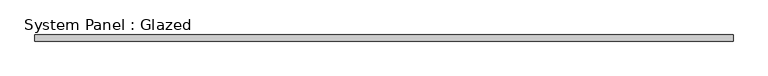
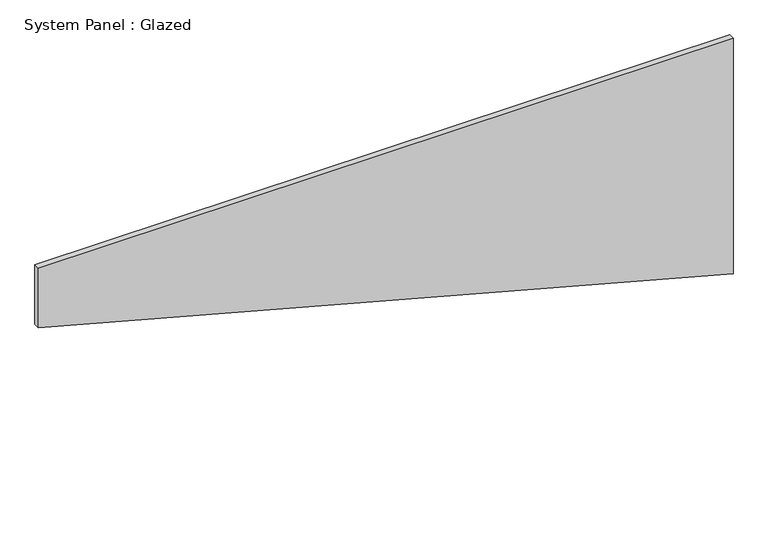
"""IFC4 building model written with IfcOpenShell, lengths in millimetres: plate geometry, System Panel : Glazed."""

from ifc_helpers import new_model, si_unit, frame, origin, place, context, project, spatial, polyline, outline, extrude, source, transform, mapped, element, save


def system_panel_glazed_cf89a795(model_context):
    return source(origin(), model_context, "Body", "SweptSolid", [
        extrude(outline(polyline([(763.6551984, -1425.0), (0.0, 1425.0), (1020.4847036, 1425.0), (1020.4847036, -1425.0), (763.6551984, -1425.0)])), frame((0.0, -22.5, 0.0), z_axis=(0.0, 1.0, 0.0), x_axis=(0.0, 0.0, 1.0)), (0.0, 0.0, 1.0), 25.0),
    ])


if __name__ == "__main__":
    model = new_model("IFC4")
    model_context = context("Model", 3, world=origin())
    ifc_project = project(units=[si_unit("LENGTHUNIT", "METRE", prefix="MILLI")], contexts=[model_context])
    site = spatial("IfcSite", under=ifc_project)
    building = spatial("IfcBuilding", under=site)
    placement = place(None, origin())
    system_panel_glazed_shape = system_panel_glazed_cf89a795(model_context)
    element("IfcPlate", 1, ObjectType="System Panel : Glazed", at=placement, inside=building, context=model_context, shape_type="MappedRepresentation", body=[
        mapped(system_panel_glazed_shape, transform((0.0, 0.0, 0.0), x_axis=(1.0, 0.0, 0.0), y_axis=(0.0, 1.0, 0.0), z_axis=(0.0, 0.0, 1.0))),
    ])
    save(model, "model.ifc")
